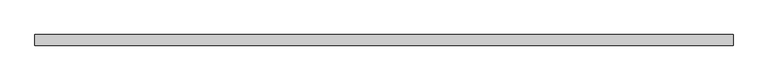
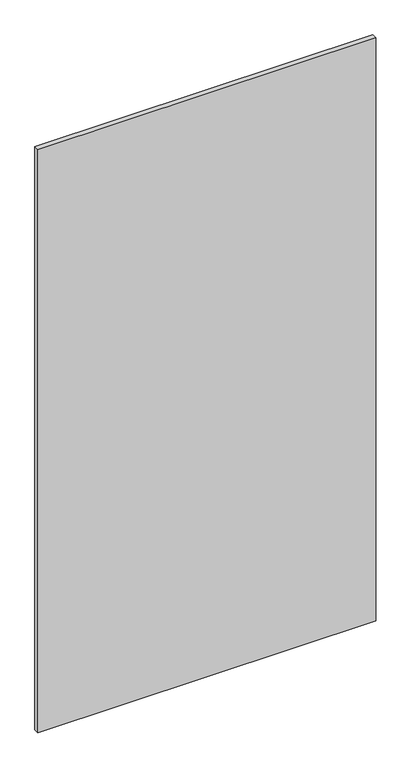
"""IFC4 building model written with IfcOpenShell, lengths in millimetres: proxy geometry."""

from ifc_helpers import new_model, si_unit, frame, origin, place, context, project, spatial, polyline, outline, extrude, source, transform, mapped, element, save


def specialty_equipment_4ca2c092(model_context):
    return source(origin(), model_context, "Body", "SweptSolid", [
        extrude(outline(polyline([(603.2666441, -9.525), (-603.2666441, -9.525), (-603.2666441, 9.525), (603.2666441, 9.525), (603.2666441, -9.525)])), frame((0.0, 0.0, 3.175), z_axis=(0.0, 0.0, 1.0), x_axis=(1.0, 0.0, 0.0)), (0.0, 0.0, 1.0), 2203.45),
    ])


if __name__ == "__main__":
    model = new_model("IFC4")
    model_context = context("Model", 3, world=origin())
    ifc_project = project(units=[si_unit("LENGTHUNIT", "METRE", prefix="MILLI")], contexts=[model_context])
    site = spatial("IfcSite", under=ifc_project)
    building = spatial("IfcBuilding", under=site)
    placement = place(None, origin())
    specialty_equipment_shape = specialty_equipment_4ca2c092(model_context)
    element("IfcBuildingElementProxy", 1, Name="Specialty Equipment", at=placement, inside=building, context=model_context, shape_type="MappedRepresentation", body=[
        mapped(specialty_equipment_shape, transform((0.0, 0.0, 0.0), x_axis=(1.0, 0.0, 0.0), y_axis=(0.0, 1.0, 0.0), z_axis=(0.0, 0.0, 1.0))),
    ])
    save(model, "model.ifc")
